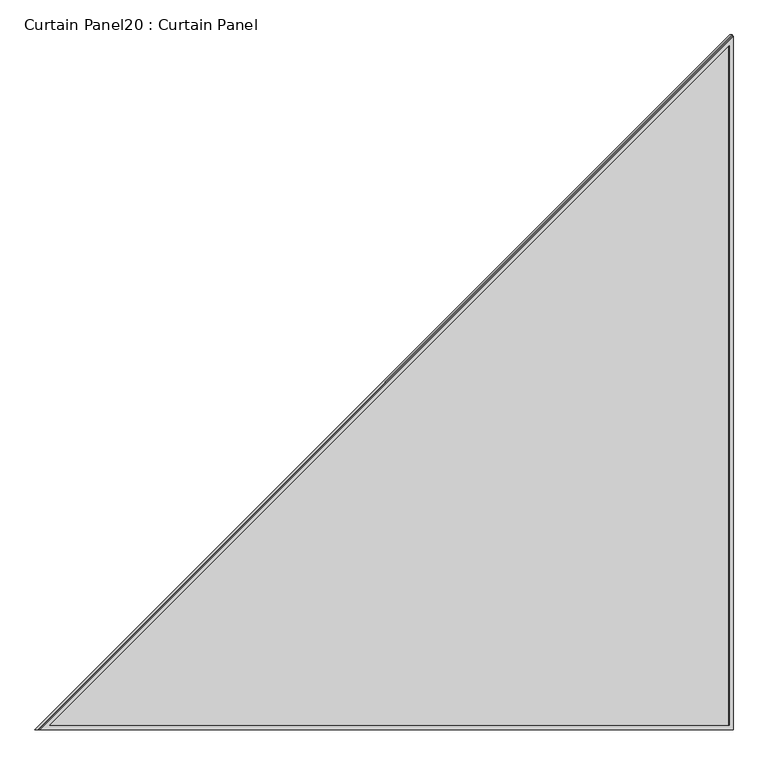
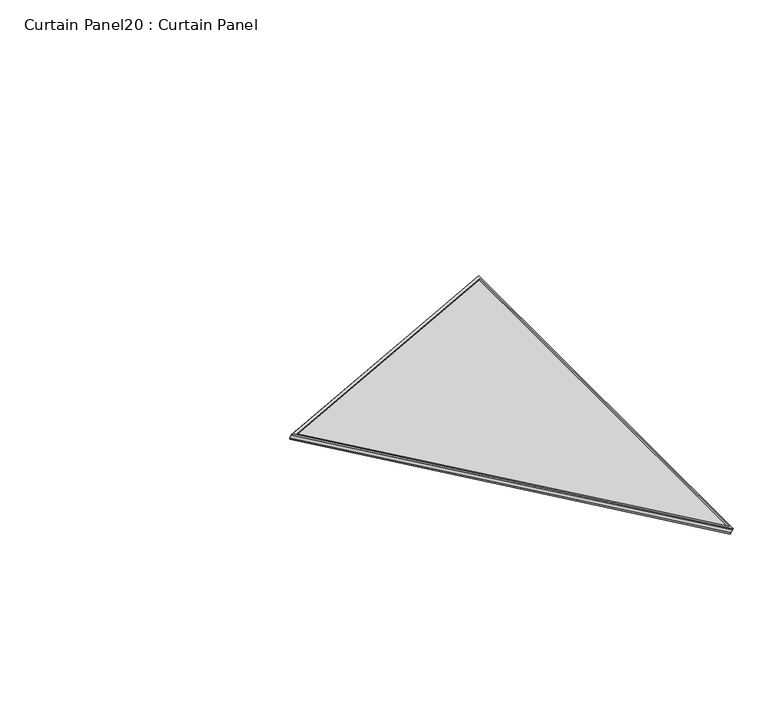
"""IFC4 building model written with IfcOpenShell, lengths in millimetres: plate geometry, Curtain Panel20 : Curtain Panel."""

from ifc_helpers import new_model, si_unit, frame, origin, place, context, project, spatial, polyline, outline, extrude, source, transform, mapped, element, save


def curtain_panel20_curtain_panel_8a932fe4(model_context):
    return source(origin(), model_context, "Body", "SweptSolid", [
        extrude(outline(polyline([(2028.2713054, 0.0), (0.0, -1756.5344763), (0.0, 0.0), (2028.2713054, 0.0)]), holes=[polyline([(1998.4310072, -11.1252), (11.1252, -11.1252), (11.1252, -1732.1825142), (1998.4310072, -11.1252)])]), frame((17171.1903921, 14411.4279755, -26.8972674), z_axis=(0.500000000000002, 0.0, 0.8660254037844376), x_axis=(-0.8660254037844376, 0.0, 0.500000000000002)), (0.0, 0.0, 1.0), 4.777675),
        extrude(outline(polyline([(2028.2713054, 0.0), (0.0, -1756.5344763), (0.0, 0.0), (2028.2713054, 0.0)]), holes=[polyline([(1998.4310072, -11.1252), (11.1252, -11.1252), (11.1252, -1732.1825142), (1998.4310072, -11.1252)])]), frame((17180.0174679, 14411.4279755, -11.6083236), z_axis=(0.5000000000000014, 0.0, 0.8660254037844379), x_axis=(-0.8660254037844379, 0.0, 0.5000000000000014)), (0.0, 0.0, 1.0), 4.777675),
        extrude(outline(polyline([(56.7302073, 0.0), (1816.1, 0.0), (1816.1, -2031.5452468), (56.7302073, 0.0)])), frame((17173.6014563, 16227.5279755, -22.7211818), z_axis=(0.49999999999999867, 0.0, 0.8660254037844395), x_axis=(0.0, -1.0, 0.0)), (0.0, 0.0, 1.0), 13.3247788),
    ])


if __name__ == "__main__":
    model = new_model("IFC4")
    model_context = context("Model", 3, world=origin())
    ifc_project = project(units=[si_unit("LENGTHUNIT", "METRE", prefix="MILLI")], contexts=[model_context])
    site = spatial("IfcSite", under=ifc_project)
    building = spatial("IfcBuilding", under=site)
    placement = place(None, origin())
    curtain_panel20_curtain_panel_shape = curtain_panel20_curtain_panel_8a932fe4(model_context)
    element("IfcPlate", 1, ObjectType="Curtain Panel20 : Curtain Panel", at=placement, inside=building, context=model_context, shape_type="MappedRepresentation", body=[
        mapped(curtain_panel20_curtain_panel_shape, transform((0.0, 0.0, 0.0), x_axis=(1.0, 0.0, 0.0), y_axis=(0.0, 1.0, 0.0), z_axis=(0.0, 0.0, 1.0))),
    ])
    save(model, "model.ifc")
